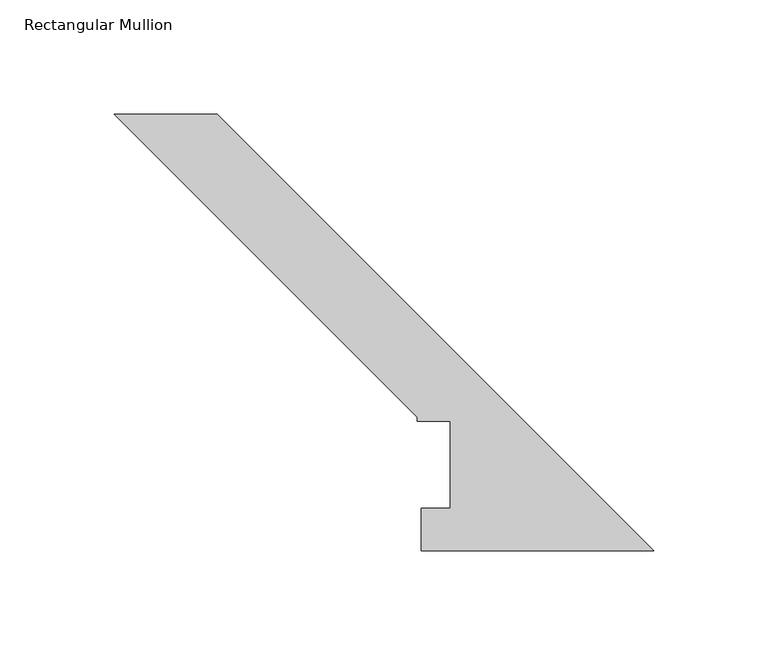
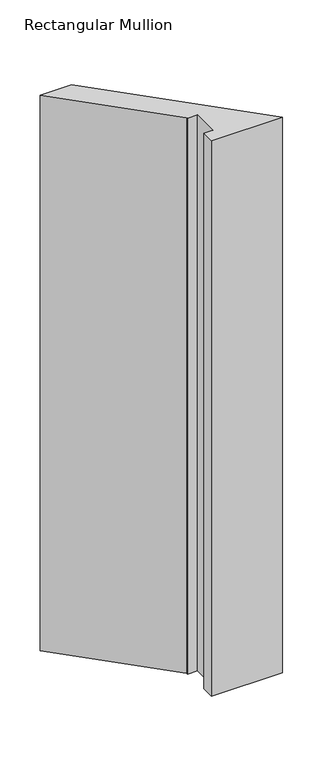
"""IFC4 building model written with IfcOpenShell, lengths in millimetres: member geometry, Rectangular Mullion."""

from ifc_helpers import new_model, si_unit, frame, origin, place, context, project, spatial, polyline, outline, extrude, source, transform, mapped, element, save


def rectangular_mullion_0e67b814(model_context):
    return source(origin(), model_context, "Body", "SweptSolid", [
        extrude(outline(polyline([(-235.6442703, 190.7294959), (-190.7429897, 190.7294959), (0.0, -0.0134938), (-101.5686806, -0.0134938), (-101.5686806, 18.5539062), (-88.8686806, 18.5539062), (-88.8686806, 56.6539063), (-103.2196806, 56.6539063), (-103.2196806, 58.3049062), (-235.6442703, 190.7294959)])), frame((0.0, 0.0, -838.2), z_axis=(0.0, 0.0, 1.0), x_axis=(1.0, 0.0, 0.0)), (0.0, 0.0, 1.0), 838.2),
    ])


if __name__ == "__main__":
    model = new_model("IFC4")
    model_context = context("Model", 3, world=origin())
    ifc_project = project(units=[si_unit("LENGTHUNIT", "METRE", prefix="MILLI")], contexts=[model_context])
    site = spatial("IfcSite", under=ifc_project)
    building = spatial("IfcBuilding", under=site)
    placement = place(None, origin())
    rectangular_mullion_shape = rectangular_mullion_0e67b814(model_context)
    element("IfcMember", 1, ObjectType="Rectangular Mullion", at=placement, inside=building, context=model_context, shape_type="MappedRepresentation", body=[
        mapped(rectangular_mullion_shape, transform((0.0, 0.0, 0.0), x_axis=(1.0, 0.0, 0.0), y_axis=(0.0, 1.0, 0.0), z_axis=(0.0, 0.0, 1.0))),
    ])
    save(model, "model.ifc")
